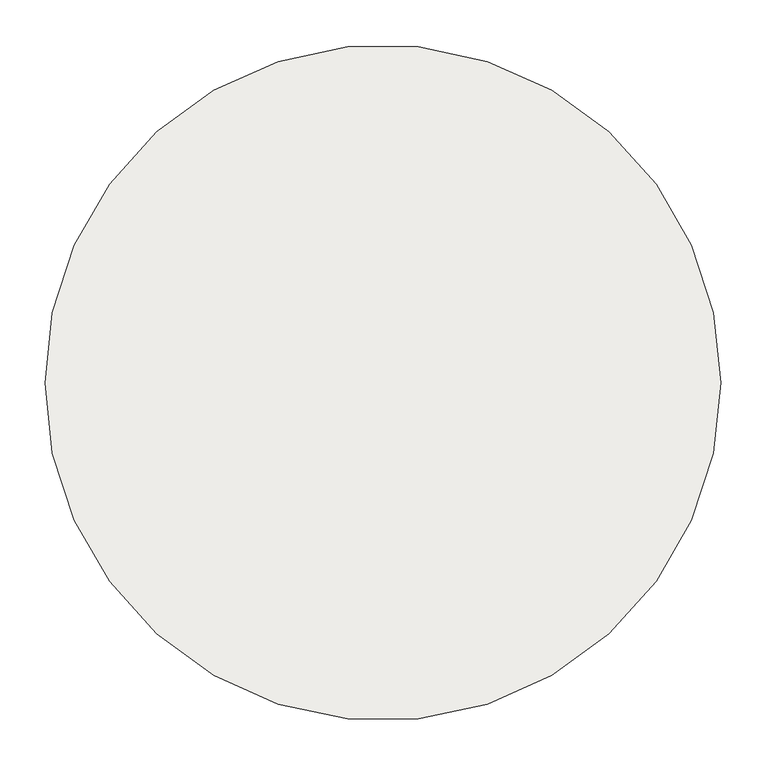
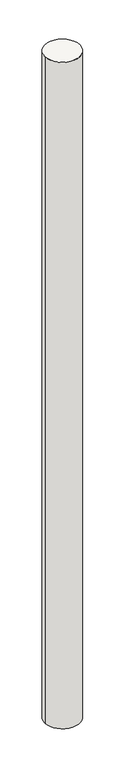
"""IFC4 building model written with IfcOpenShell, lengths in millimetres: slab geometry."""

from ifc_helpers import new_model, si_unit, point, frame, origin, origin_2d, place, context, project, spatial, circle_curve, trimmed, segment, composite_curve, outline, extrude, source, transform, mapped, element, save


def slab_29303b04(model_context):
    return source(origin(), model_context, "Body", "SweptSolid", [
        extrude(outline(composite_curve([segment(trimmed(circle_curve(origin_2d(), 375.0), [point((-375.0, 0.0))], [point((375.0, 0.0))], False, "CARTESIAN"), True, "CONTINUOUS"), segment(trimmed(circle_curve(origin_2d(), 375.0), [point((375.0, 0.0))], [point((-375.0, 0.0))], False, "CARTESIAN"), True, "CONTINUOUS")], self_intersect=False)), frame((0.0, 0.0, -15000.0), z_axis=(0.0, 0.0, 1.0), x_axis=(1.0, 0.0, 0.0)), (0.0, 0.0, 1.0), 15075.0),
    ])


if __name__ == "__main__":
    model = new_model("IFC4")
    model_context = context("Model", 3, world=origin())
    ifc_project = project(units=[si_unit("LENGTHUNIT", "METRE", prefix="MILLI")], contexts=[model_context])
    site = spatial("IfcSite", under=ifc_project)
    building = spatial("IfcBuilding", under=site)
    placement = place(None, origin())
    slab_shape = slab_29303b04(model_context)
    element("IfcSlab", 1, at=placement, inside=building, context=model_context, shape_type="MappedRepresentation", body=[
        mapped(slab_shape, transform((0.0, 0.0, 0.0), x_axis=(1.0, 0.0, 0.0), y_axis=(0.0, 1.0, 0.0), z_axis=(0.0, 0.0, 1.0))),
    ])
    save(model, "model.ifc")
